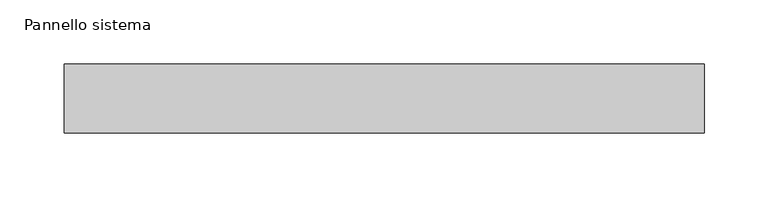
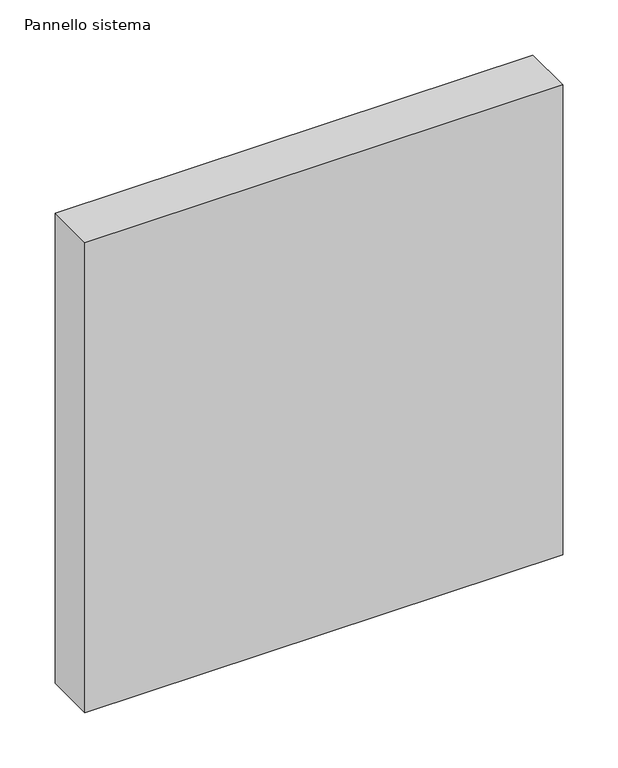
"""IFC4 building model written with IfcOpenShell, lengths in millimetres: plate geometry, Pannello sistema."""

from ifc_helpers import new_model, si_unit, origin, origin_with_axes, place, context, project, spatial, polyline, outline, extrude, source, transform, mapped, element, save


def pannello_sistema_5ee582f8(model_context):
    return source(origin(), model_context, "Body", "SweptSolid", [
        extrude(outline(polyline([(250.0, -27.0), (-250.0, -27.0), (-250.0, 27.0), (250.0, 27.0), (250.0, -27.0)])), origin_with_axes(), (0.0, 0.0, 1.0), 520.0),
    ])


if __name__ == "__main__":
    model = new_model("IFC4")
    model_context = context("Model", 3, world=origin())
    ifc_project = project(units=[si_unit("LENGTHUNIT", "METRE", prefix="MILLI")], contexts=[model_context])
    site = spatial("IfcSite", under=ifc_project)
    building = spatial("IfcBuilding", under=site)
    placement = place(None, origin())
    pannello_sistema_shape = pannello_sistema_5ee582f8(model_context)
    element("IfcPlate", 1, ObjectType="Pannello sistema", at=placement, inside=building, context=model_context, shape_type="MappedRepresentation", body=[
        mapped(pannello_sistema_shape, transform((0.0, 0.0, 0.0), x_axis=(1.0, 0.0, 0.0), y_axis=(0.0, 1.0, 0.0), z_axis=(0.0, 0.0, 1.0))),
    ])
    save(model, "model.ifc")
